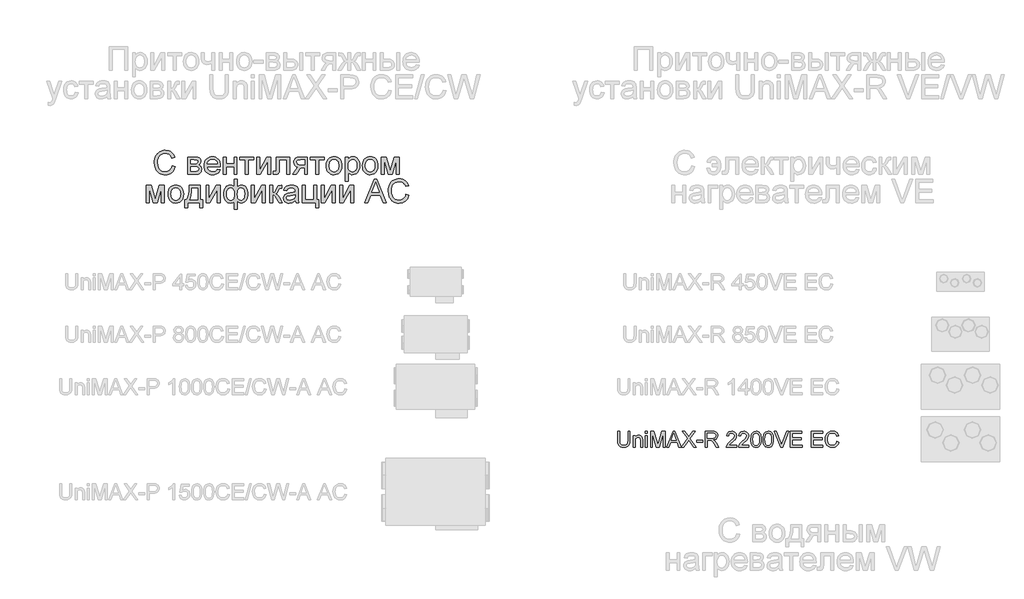
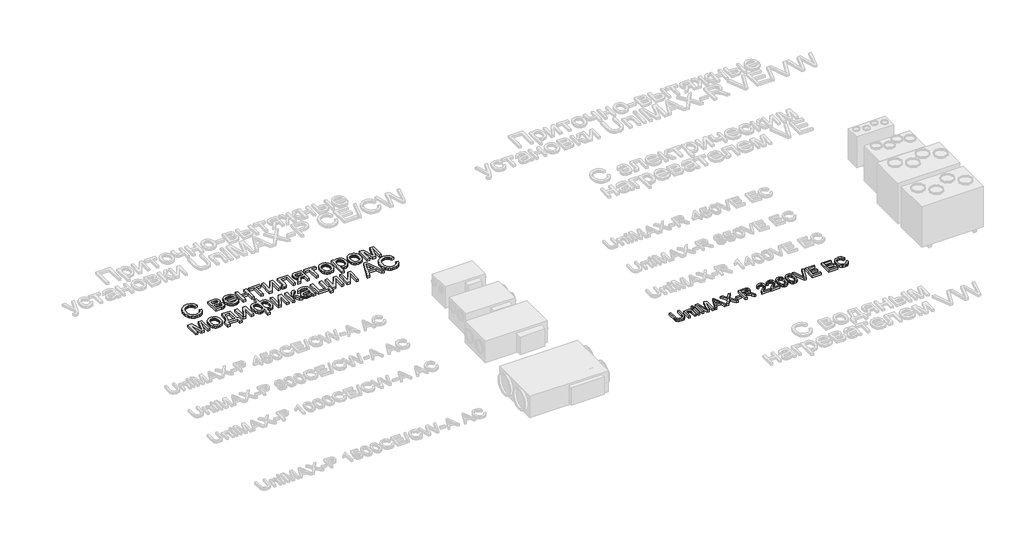
# One storey, part 45 of 74: 2 proxies.
"""IFC4 building model written with IfcOpenShell, lengths in millimetres."""

from ifc_helpers import new_model, si_unit, origin, origin_with_axes, place, context, project, spatial, polyline, outline, extrude, element, save

model = new_model("IFC4")

# Units and contexts
model_context = context("Model", 3, world=origin())
ifc_project = project(units=[si_unit("LENGTHUNIT", "METRE", prefix="MILLI")], contexts=[model_context])

# Site, building, storey
site = spatial("IfcSite", under=ifc_project)
building = spatial("IfcBuilding", under=site)
storey = spatial("IfcBuildingStorey", under=building, Elevation=0.0)

# Proxies
placement = place(None, origin())
element("IfcBuildingElementProxy", 1, Name="Generic Models", at=placement, inside=storey, context=model_context, shape_type="SweptSolid", body=[
    extrude(outline(polyline([(36462.4111042, -25678.9298031), (36518.6181221, -25693.4206749), (36507.4961035, -25728.3751002), (36492.6827549, -25758.9177687), (36474.1780763, -25785.0486803), (36451.9820677, -25806.7678349), (36426.5955972, -25823.8419516), (36398.5195331, -25836.0377492), (36367.7538754, -25843.3552278), (36334.2986241, -25845.7943874), (36300.0234583, -25843.9487223), (36269.1034234, -25838.4117273), (36241.5385193, -25829.1834022), (36217.3287461, -25816.2637471), (36196.1413351, -25799.8448758), (36177.6435177, -25780.1189021), (36161.8352939, -25757.0858261), (36148.7166637, -25730.7456477), (36131.0559138, -25672.699826), (36125.1689971, -25610.5372794), (36126.8328401, -25576.6360495), (36131.8243691, -25544.9715735), (36140.1435841, -25515.5438514), (36151.790485, -25488.3528832), (36166.5043461, -25463.848078), (36184.0244413, -25442.4788449), (36204.3507707, -25424.2451841), (36227.4833343, -25409.1470953), (36252.6365237, -25397.3080805), (36279.0247305, -25388.8516414), (36306.6479549, -25383.7777779), (36335.5061967, -25382.0864901), (36367.6543879, -25384.2752155), (36397.1335691, -25390.8413918), (36423.9437402, -25401.7850189), (36448.0849014, -25417.1060969), (36469.1591025, -25436.3998145), (36486.7683934, -25459.2613603), (36500.9127742, -25485.6907344), (36511.5922448, -25515.6879368), (36455.385227, -25529.0810153), (36435.8993956, -25488.0921573), (36423.4806087, -25472.4245883), (36409.2779076, -25459.9749259), (36393.208958, -25450.4893056), (36375.1914251, -25443.7138624), (36333.3106101, -25438.2935079), (36308.0956698, -25439.7961125), (36285.0351489, -25444.3039263), (36264.1290474, -25451.8169494), (36245.3773653, -25462.3351816), (36229.0168143, -25475.3851996), (36215.284106, -25490.4935802), (36204.1792405, -25507.6603232), (36195.7022177, -25526.8854286), (36184.9575656, -25568.0252332), (36181.3760149, -25610.4275001), (36185.6162416, -25662.353124), (36198.3369217, -25707.2528707), (36207.9975029, -25726.6392146), (36220.0183397, -25743.4114381), (36234.3994322, -25757.5695413), (36251.1407803, -25769.1135241), (36288.4520306, -25784.4689082), (36328.6998781, -25789.5873695), (36353.1360713, -25787.8446226), (36375.61682, -25782.6163819), (36396.1421245, -25773.9026475), (36414.7119846, -25761.7034192), (36430.887283, -25746.0735869), (36444.2289024, -25727.0680401), (36454.7368428, -25704.6867788), (36462.4111042, -25678.9298031)])), origin_with_axes(), (0.0, 0.0, 1.0), 50.0),
    extrude(outline(polyline([(36764.5238252, -25508.5522802), (36888.3549114, -25508.5522802), (36928.1636415, -25510.4322513), (36956.253428, -25516.0721645), (36976.9193872, -25526.7207596), (36994.4566355, -25543.6267767), (37006.4363051, -25565.6512552), (37010.4295283, -25591.6552344), (37008.014383, -25612.6093643), (37000.7689471, -25630.6817868), (36988.6657757, -25645.9548363), (36971.6774242, -25658.5108474), (36992.4806075, -25670.1886238), (37009.4415143, -25688.974612), (37020.7213406, -25713.3867909), (37024.4812827, -25741.9431395), (37021.359433, -25764.9487707), (37014.9579257, -25784.7845237), (37005.2767609, -25801.4503985), (36992.3159385, -25814.9463951), (36976.054875, -25825.3685704), (36956.4729867, -25832.8129814), (36933.5702736, -25837.2796279), (36907.3467358, -25838.7685101), (36764.5238252, -25838.7685101), (36764.5238252, -25508.5522802)]), holes=[polyline([(36820.730843, -25635.0180704), (36876.2791849, -25635.0180704), (36922.1120559, -25632.1638078), (36944.3972602, -25620.7467573), (36951.7661979, -25611.3057348), (36954.2225104, -25600.1082429), (36949.9136716, -25583.33945), (36936.9871553, -25572.5536306), (36913.6316025, -25566.7078812), (36878.0356542, -25564.7592981), (36820.730843, -25564.7592981), (36820.730843, -25635.0180704)]), polyline([(36820.730843, -25782.5614923), (36889.6722633, -25782.5614923), (36927.2442396, -25780.0228452), (36950.8193511, -25772.4069041), (36963.4714191, -25758.5609859), (36968.2742649, -25737.3324076), (36965.872842, -25723.2669307), (36958.6685733, -25710.2718023), (36947.6083057, -25700.1034917), (36933.6388857, -25694.5184682), (36884.1832968, -25691.2250883), (36820.730843, -25691.2250883), (36820.730843, -25782.5614923)])]), origin_with_axes(), (0.0, 0.0, 1.0), 50.0),
    extrude(outline(polyline([(37325.9353277, -25740.4062289), (37381.0445522, -25747.4321061), (37372.5949743, -25769.504613), (37361.1882156, -25788.9561383), (37346.8242762, -25805.7866821), (37329.503156, -25819.9962444), (37309.4032464, -25831.2829319), (37286.702939, -25839.3448516), (37261.4022336, -25844.1820034), (37233.5011304, -25845.7943874), (37198.6256089, -25843.0121674), (37167.5511968, -25834.6655076), (37140.2778941, -25820.7544079), (37116.8057007, -25801.2788683), (37097.9305169, -25776.7809243), (37084.4482427, -25747.8026114), (37076.3588782, -25714.3439294), (37073.6624233, -25676.4048785), (37076.386323, -25637.179351), (37084.558022, -25602.6057227), (37098.1775204, -25572.6839936), (37117.244818, -25547.4141637), (37140.6552605, -25527.3382684), (37167.3041933, -25512.9983432), (37197.1916164, -25504.394388), (37230.3175297, -25501.526403), (37262.3765252, -25504.3875268), (37291.3685606, -25512.9708983), (37317.2936359, -25527.2765175), (37340.1517511, -25547.3043843), (37358.8108069, -25572.5193246), (37372.1387039, -25602.386164), (37380.1354421, -25636.9049027), (37382.8010215, -25676.0755405), (37382.4716835, -25691.2250883), (37129.8694412, -25691.2250883), (37133.1250845, -25713.654378), (37139.5986345, -25733.2980171), (37149.2900911, -25750.1560058), (37162.1994544, -25764.2283439), (37177.6131587, -25775.3229176), (37194.8176383, -25783.2476131), (37213.8128933, -25788.0024304), (37234.5989237, -25789.5873695), (37264.5137916, -25786.6507724), (37289.7081482, -25777.840981), (37310.1819936, -25762.6090987), (37325.9353277, -25740.4062289)]), holes=[polyline([(37129.8694412, -25635.0180704), (37326.5940037, -25635.0180704), (37318.991785, -25605.3227612), (37304.0892407, -25584.0804605), (37288.7613015, -25572.5536306), (37271.3201101, -25564.3201808), (37251.7656667, -25559.3801108), (37230.0979711, -25557.7334209), (37192.2103792, -25562.9891064), (37160.8821024, -25578.7561629), (37148.4255789, -25590.1560604), (37139.1046275, -25603.3330108), (37132.9192483, -25618.2870141), (37129.8694412, -25635.0180704)])]), origin_with_axes(), (0.0, 0.0, 1.0), 50.0),
    extrude(outline(polyline([(37439.0080394, -25508.5522802), (37495.2150572, -25508.5522802), (37495.2150572, -25635.0180704), (37642.7584791, -25635.0180704), (37642.7584791, -25508.5522802), (37698.9654969, -25508.5522802), (37698.9654969, -25838.7685101), (37642.7584791, -25838.7685101), (37642.7584791, -25691.2250883), (37495.2150572, -25691.2250883), (37495.2150572, -25838.7685101), (37439.0080394, -25838.7685101), (37439.0080394, -25508.5522802)])), origin_with_axes(), (0.0, 0.0, 1.0), 50.0),
    extrude(outline(polyline([(37755.1725148, -25508.5522802), (38022.1558496, -25508.5522802), (38022.1558496, -25564.7592981), (37916.7676911, -25564.7592981), (37916.7676911, -25838.7685101), (37860.5606733, -25838.7685101), (37860.5606733, -25564.7592981), (37755.1725148, -25564.7592981), (37755.1725148, -25508.5522802)])), origin_with_axes(), (0.0, 0.0, 1.0), 50.0),
    extrude(outline(polyline([(38071.3369902, -25508.5522802), (38127.5440081, -25508.5522802), (38127.5440081, -25760.3860673), (38265.6464074, -25508.5522802), (38338.320325, -25508.5522802), (38338.320325, -25838.7685101), (38282.1133072, -25838.7685101), (38282.1133072, -25588.4716337), (38144.8891425, -25838.7685101), (38071.3369902, -25838.7685101), (38071.3369902, -25508.5522802)])), origin_with_axes(), (0.0, 0.0, 1.0), 50.0),
    extrude(outline(polyline([(38450.7343607, -25508.5522802), (38703.6659411, -25508.5522802), (38703.6659411, -25838.4391721), (38647.4589232, -25838.4391721), (38647.4589232, -25564.7592981), (38506.9413786, -25564.7592981), (38506.9413786, -25722.2926391), (38503.1539916, -25794.9665568), (38496.0595023, -25811.4197341), (38482.3508083, -25825.64988), (38461.5476249, -25835.4888526), (38433.1696676, -25838.7685101), (38387.5014656, -25835.9142475), (38387.5014656, -25782.5614923), (38412.6409326, -25782.5614923), (38438.0548479, -25779.1034433), (38444.4083267, -25774.6299356), (38448.2094361, -25768.1255101), (38450.7343607, -25719.1090385), (38450.7343607, -25508.5522802)])), origin_with_axes(), (0.0, 0.0, 1.0), 50.0),
    extrude(outline(polyline([(39040.9080482, -25508.5522802), (39040.9080482, -25838.7685101), (38984.7010303, -25838.7685101), (38984.7010303, -25712.30272), (38954.0725968, -25712.30272), (38929.6466954, -25714.0866341), (38912.3564507, -25719.4383765), (38895.6974371, -25734.9995968), (38873.1652293, -25767.4119445), (38828.3752619, -25838.7685101), (38763.3858975, -25838.7685101), (38819.812474, -25748.5298994), (38844.7323823, -25716.1449966), (38856.451326, -25706.703974), (38867.6762627, -25701.7639041), (38847.0377483, -25697.2012006), (38829.2534966, -25689.9900708), (38814.3235075, -25680.1305145), (38802.247781, -25667.6225319), (38786.2748882, -25637.872333), (38780.9505906, -25603.9505195), (38782.7688108, -25583.7099552), (38788.2234713, -25565.4728637), (38797.3145722, -25549.2392451), (38810.0421135, -25535.0090992), (38826.2139813, -25523.4342409), (38845.6380618, -25515.166485), (38868.314355, -25510.2058314), (38894.242861, -25508.5522802), (39040.9080482, -25508.5522802)]), holes=[polyline([(38984.7010303, -25564.7592981), (38910.5999814, -25564.7592981), (38872.3281619, -25568.0115108), (38859.3982149, -25572.0767767), (38850.6055766, -25577.7681489), (38840.5196005, -25591.8885154), (38837.1576085, -25608.2319135), (38842.1114008, -25629.6526056), (38856.9727778, -25644.5139826), (38884.4313332, -25653.2002722), (38927.1766605, -25656.0957021), (38984.7010303, -25656.0957021), (38984.7010303, -25564.7592981)])]), origin_with_axes(), (0.0, 0.0, 1.0), 50.0),
    extrude(outline(polyline([(39097.115066, -25508.5522802), (39364.0984008, -25508.5522802), (39364.0984008, -25564.7592981), (39258.7102423, -25564.7592981), (39258.7102423, -25838.7685101), (39202.5032245, -25838.7685101), (39202.5032245, -25564.7592981), (39097.115066, -25564.7592981), (39097.115066, -25508.5522802)])), origin_with_axes(), (0.0, 0.0, 1.0), 50.0),
    extrude(outline(polyline([(39399.227787, -25673.6603952), (39402.2673022, -25630.8944843), (39411.385848, -25594.0429348), (39426.5834242, -25563.1057469), (39447.8600309, -25538.0829205), (39469.280723, -25522.0894441), (39492.9244466, -25510.6655324), (39518.7912017, -25503.8111853), (39546.8809882, -25501.526403), (39577.8902188, -25504.3086229), (39605.9285462, -25512.6552828), (39630.9959705, -25526.5663825), (39653.0924916, -25546.041922), (39671.1271775, -25570.4232255), (39684.0090959, -25599.0516168), (39691.738247, -25631.9270961), (39694.3146307, -25669.0496632), (39689.7587884, -25725.8330226), (39684.0639856, -25749.140547), (39676.0912616, -25769.0586345), (39653.7100004, -25801.4298149), (39623.0129547, -25825.64988), (39586.5524942, -25840.7582605), (39546.8809882, -25845.7943874), (39515.4189178, -25843.0224592), (39487.1198645, -25834.7066748), (39461.9838281, -25820.8470342), (39440.0108087, -25801.4435373), (39422.1682367, -25776.8255222), (39409.4235424, -25747.3223268), (39401.7767258, -25712.9339511), (39399.227787, -25673.6603952)]), holes=[polyline([(39455.4348048, -25673.5506158), (39457.0609112, -25700.8136268), (39461.9392302, -25724.4196137), (39470.069762, -25744.3685766), (39481.4525065, -25760.6605156), (39495.2984247, -25773.3160142), (39510.8184777, -25782.355656), (39528.0126655, -25787.7794411), (39546.8809882, -25789.5873695), (39565.6532539, -25787.7691493), (39582.7788296, -25782.3144888), (39598.2577154, -25773.2233879), (39612.0899112, -25760.4958466), (39623.4726557, -25744.0426692), (39631.6031874, -25723.7746601), (39636.4815065, -25699.6918192), (39638.1076128, -25671.7941465), (39636.4712147, -25645.3956479), (39631.5620202, -25622.4071697), (39623.3800294, -25602.828712), (39611.9252422, -25586.6602748), (39598.0415874, -25574.0047762), (39582.5729934, -25564.9651343), (39565.5194603, -25559.5413492), (39546.8809882, -25557.7334209), (39528.0126655, -25559.534488), (39510.8184777, -25564.9376895), (39495.2984247, -25573.9430253), (39481.4525065, -25586.5504954), (39470.069762, -25602.7944059), (39461.9392302, -25622.7090628), (39457.0609112, -25646.2944661), (39455.4348048, -25673.5506158)])]), origin_with_axes(), (0.0, 0.0, 1.0), 50.0),
    extrude(outline(polyline([(39757.5475258, -25965.2343003), (39757.5475258, -25508.5522802), (39813.7545436, -25508.5522802), (39813.7545436, -25563.6615048), (39832.087692, -25536.4773978), (39852.6164271, -25517.0601784), (39876.5483214, -25505.4098469), (39905.0909476, -25501.526403), (39943.1020413, -25506.9604799), (39976.3377339, -25523.2627107), (40003.3983392, -25549.4450813), (40022.8841706, -25584.5195778), (40034.6580039, -25625.9338307), (40038.582615, -25671.1354706), (40034.1502745, -25719.2050954), (40020.853253, -25762.1974262), (39999.1169453, -25797.9305987), (39969.3667464, -25824.2227487), (39934.7176448, -25840.4014777), (39898.2846291, -25845.7943874), (39872.4453189, -25842.1853918), (39849.3779368, -25831.3584052), (39829.6313795, -25815.0150072), (39813.7545436, -25794.8567774), (39813.7545436, -25965.2343003), (39757.5475258, -25965.2343003)]), holes=[polyline([(39813.7545436, -25676.2950991), (39815.2743013, -25703.3831492), (39819.8335741, -25726.6838124), (39827.4323622, -25746.1970886), (39838.0706656, -25761.9229779), (39850.8771108, -25774.0261492), (39864.9803243, -25782.6712716), (39880.3803062, -25787.858345), (39897.0770564, -25789.5873695), (39914.013949, -25787.7965942), (39929.6952404, -25782.4242681), (39944.1209307, -25773.4703914), (39957.2910199, -25760.9349639), (39968.2655225, -25744.6395944), (39976.1044529, -25724.4058913), (39980.8078111, -25700.2338547), (39982.3755972, -25672.1234845), (39980.8455478, -25645.2687155), (39976.2553994, -25622.0092196), (39968.6051523, -25602.3449968), (39957.8948062, -25586.2760471), (39945.0574856, -25573.7886481), (39931.0263148, -25564.8690774), (39915.8012937, -25559.517335), (39899.3824224, -25557.7334209), (39883.0150102, -25559.6305449), (39867.6150283, -25565.3219172), (39853.1824768, -25574.8075376), (39839.7173556, -25588.0874061), (39828.3586254, -25604.9831314), (39820.2452466, -25625.316322), (39815.3772194, -25649.0869779), (39813.7545436, -25676.2950991)])]), origin_with_axes(), (0.0, 0.0, 1.0), 50.0),
    extrude(outline(polyline([(40087.7637557, -25673.6603952), (40090.8032709, -25630.8944843), (40099.9218167, -25594.0429348), (40115.1193929, -25563.1057469), (40136.3959996, -25538.0829205), (40157.8166917, -25522.0894441), (40181.4604153, -25510.6655324), (40207.3271703, -25503.8111853), (40235.4169569, -25501.526403), (40266.4261875, -25504.3086229), (40294.4645149, -25512.6552828), (40319.5319392, -25526.5663825), (40341.6284603, -25546.041922), (40359.6631462, -25570.4232255), (40372.5450646, -25599.0516168), (40380.2742157, -25631.9270961), (40382.8505994, -25669.0496632), (40378.2947571, -25725.8330226), (40372.5999543, -25749.140547), (40364.6272303, -25769.0586345), (40342.2459691, -25801.4298149), (40311.5489234, -25825.64988), (40275.0884629, -25840.7582605), (40235.4169569, -25845.7943874), (40203.9548865, -25843.0224592), (40175.6558331, -25834.7066748), (40150.5197968, -25820.8470342), (40128.5467774, -25801.4435373), (40110.7042054, -25776.8255222), (40097.9595111, -25747.3223268), (40090.3126945, -25712.9339511), (40087.7637557, -25673.6603952)]), holes=[polyline([(40143.9707735, -25673.5506158), (40145.5968799, -25700.8136268), (40150.4751989, -25724.4196137), (40158.6057307, -25744.3685766), (40169.9884751, -25760.6605156), (40183.8343934, -25773.3160142), (40199.3544464, -25782.355656), (40216.5486342, -25787.7794411), (40235.4169569, -25789.5873695), (40254.1892226, -25787.7691493), (40271.3147983, -25782.3144888), (40286.7936841, -25773.2233879), (40300.6258799, -25760.4958466), (40312.0086244, -25744.0426692), (40320.1391561, -25723.7746601), (40325.0174752, -25699.6918192), (40326.6435815, -25671.7941465), (40325.0071834, -25645.3956479), (40320.0979889, -25622.4071697), (40311.9159981, -25602.828712), (40300.4612109, -25586.6602748), (40286.5775561, -25574.0047762), (40271.1089621, -25564.9651343), (40254.055429, -25559.5413492), (40235.4169569, -25557.7334209), (40216.5486342, -25559.534488), (40199.3544464, -25564.9376895), (40183.8343934, -25573.9430253), (40169.9884751, -25586.5504954), (40158.6057307, -25602.7944059), (40150.4751989, -25622.7090628), (40145.5968799, -25646.2944661), (40143.9707735, -25673.5506158)])]), origin_with_axes(), (0.0, 0.0, 1.0), 50.0),
    extrude(outline(polyline([(40446.0834945, -25508.5522802), (40542.7990857, -25508.5522802), (40617.339252, -25772.9009111), (40697.6977228, -25508.5522802), (40790.3514788, -25508.5522802), (40790.3514788, -25838.7685101), (40734.144461, -25838.7685101), (40734.144461, -25572.8829686), (40653.3468728, -25838.7685101), (40579.5751619, -25838.7685101), (40502.2905123, -25560.1485662), (40502.2905123, -25838.7685101), (40446.0834945, -25838.7685101), (40446.0834945, -25508.5522802)])), origin_with_axes(), (0.0, 0.0, 1.0), 50.0),
    extrude(outline(polyline([(35970.599698, -26048.9843634), (36067.3152893, -26048.9843634), (36141.8554555, -26313.3329943), (36222.2139263, -26048.9843634), (36314.8676823, -26048.9843634), (36314.8676823, -26379.2005933), (36258.6606645, -26379.2005933), (36258.6606645, -26113.3150518), (36177.8630763, -26379.2005933), (36104.0913654, -26379.2005933), (36026.8067158, -26100.5806493), (36026.8067158, -26379.2005933), (35970.599698, -26379.2005933), (35970.599698, -26048.9843634)])), origin_with_axes(), (0.0, 0.0, 1.0), 50.0),
    extrude(outline(polyline([(36385.1264547, -26214.0924784), (36388.1659699, -26171.3265674), (36397.2845156, -26134.475018), (36412.4820919, -26103.5378301), (36433.7586986, -26078.5150037), (36455.1793907, -26062.5215273), (36478.8231143, -26051.0976156), (36504.6898693, -26044.2432685), (36532.7796558, -26041.9584862), (36563.7888865, -26044.7407061), (36591.8272139, -26053.0873659), (36616.8946382, -26066.9984656), (36638.9911593, -26086.4740052), (36657.0258451, -26110.8553087), (36669.9077636, -26139.4837), (36677.6369147, -26172.3591793), (36680.2132984, -26209.4817464), (36675.6574561, -26266.2651058), (36669.9626533, -26289.5726301), (36661.9899293, -26309.4907176), (36639.608668, -26341.8618981), (36608.9116224, -26366.0819632), (36572.4511619, -26381.1903437), (36532.7796558, -26386.2264705), (36501.3175855, -26383.4545424), (36473.0185321, -26375.138758), (36447.8824958, -26361.2791174), (36425.9094764, -26341.8756205), (36408.0669044, -26317.2576054), (36395.3222101, -26287.75441), (36387.6753935, -26253.3660343), (36385.1264547, -26214.0924784)]), holes=[polyline([(36441.3334725, -26213.982699), (36442.9595789, -26241.2457099), (36447.8378979, -26264.8516969), (36455.9684297, -26284.8006598), (36467.3511741, -26301.0925988), (36481.1970923, -26313.7480974), (36496.7171454, -26322.7877392), (36513.9113332, -26328.2115243), (36532.7796558, -26330.0194527), (36551.5519216, -26328.2012325), (36568.6774973, -26322.746572), (36584.1563831, -26313.655471), (36597.9885789, -26300.9279298), (36609.3713234, -26284.4747524), (36617.5018551, -26264.2067433), (36622.3801742, -26240.1239024), (36624.0062805, -26212.2262297), (36622.3698824, -26185.827731), (36617.4606879, -26162.8392529), (36609.2786971, -26143.2607952), (36597.8239099, -26127.092358), (36583.940255, -26114.4368594), (36568.4716611, -26105.3972175), (36551.418128, -26099.9734324), (36532.7796558, -26098.165504), (36513.9113332, -26099.9665712), (36496.7171454, -26105.3697727), (36481.1970923, -26114.3751085), (36467.3511741, -26126.9825786), (36455.9684297, -26143.2264891), (36447.8378979, -26163.141146), (36442.9595789, -26186.7265493), (36441.3334725, -26213.982699)])]), origin_with_axes(), (0.0, 0.0, 1.0), 50.0),
    extrude(outline(polyline([(36792.6273341, -26048.9843634), (37003.403651, -26048.9843634), (37003.403651, -26322.9935754), (37045.5589144, -26322.9935754), (37045.5589144, -26470.5369973), (36989.3518966, -26470.5369973), (36989.3518966, -26379.2005933), (36757.4979479, -26379.2005933), (36757.4979479, -26470.5369973), (36701.2909301, -26470.5369973), (36701.2909301, -26322.9935754), (36736.4203162, -26322.9935754), (36750.1461633, -26301.7821502), (36761.9577333, -26276.8450889), (36779.8380419, -26215.794058), (36790.0612422, -26139.8404829), (36792.6273341, -26048.9843634)]), holes=[polyline([(36841.8084747, -26105.1913813), (36837.1977428, -26174.0092999), (36828.6349549, -26233.2489717), (36816.1201111, -26282.9103969), (36799.6532113, -26322.9935754), (36947.1966332, -26322.9935754), (36947.1966332, -26105.1913813), (36841.8084747, -26105.1913813)])]), origin_with_axes(), (0.0, 0.0, 1.0), 50.0),
    extrude(outline(polyline([(37108.7918095, -26048.9843634), (37164.9988274, -26048.9843634), (37164.9988274, -26300.8181504), (37303.1012267, -26048.9843634), (37375.7751443, -26048.9843634), (37375.7751443, -26379.2005933), (37319.5681264, -26379.2005933), (37319.5681264, -26128.9037169), (37182.3439618, -26379.2005933), (37108.7918095, -26379.2005933), (37108.7918095, -26048.9843634)])), origin_with_axes(), (0.0, 0.0, 1.0), 50.0),
    extrude(outline(polyline([(37649.7843563, -25929.5444505), (37705.9913742, -25929.5444505), (37705.9913742, -26080.7105903), (37723.0483378, -26063.6536266), (37741.7245467, -26051.5641777), (37761.9376661, -26044.3599091), (37783.6053617, -26041.9584862), (37809.6264939, -26045.0117238), (37832.8002248, -26054.1714368), (37853.1265542, -26069.4376252), (37870.6054821, -26090.8102888), (37884.653806, -26116.814268), (37894.688323, -26145.974403), (37900.7090333, -26178.2906938), (37902.7159367, -26213.7631404), (37900.5546561, -26250.5495083), (37894.0708143, -26283.6239626), (37883.2644113, -26312.9865032), (37868.1354472, -26338.6371302), (37849.7954376, -26359.4574666), (37829.3558982, -26374.3291355), (37806.8168292, -26383.2521368), (37782.1782304, -26386.2264705), (37747.8172996, -26380.7375039), (37728.6333614, -26370.5005813), (37705.9913742, -26350.7677464), (37705.9913742, -26505.6663835), (37649.7843563, -26505.6663835), (37649.7843563, -26350.7677464), (37632.6862254, -26366.2466322), (37613.8865148, -26377.3343447), (37593.4401143, -26384.0034391), (37571.4019135, -26386.2264705), (37547.0583466, -26383.3859303), (37524.3065801, -26374.8643097), (37503.146614, -26360.6616087), (37483.5784481, -26340.7778272), (37467.1527156, -26315.6040542), (37455.4200495, -26285.5313785), (37448.3804498, -26250.5598001), (37446.0339166, -26210.6893191), (37448.1574606, -26176.2940822), (37454.5280924, -26144.7942752), (37465.1458121, -26116.1898981), (37480.0106198, -26090.4809508), (37498.4638393, -26069.2523725), (37519.8467948, -26054.0891023), (37544.1594862, -26044.9911402), (37571.4019135, -26041.9584862), (37594.3046265, -26044.3599091), (37614.9294185, -26051.5641777), (37633.3860686, -26063.6536266), (37649.7843563, -26080.7105903), (37649.7843563, -25929.5444505)]), holes=[polyline([(37705.6620362, -26215.0804923), (37710.3413802, -26271.9873534), (37716.1905602, -26292.0735405), (37724.3794122, -26306.5815654), (37745.4707664, -26324.1599808), (37771.3100766, -26330.0194527), (37786.3258308, -26328.2183855), (37800.1957632, -26322.815184), (37812.9198739, -26313.8098482), (37824.4981628, -26301.2023781), (37834.1278686, -26284.8006598), (37841.0062298, -26264.4125795), (37846.5089188, -26211.6773331), (37841.4316247, -26161.6728475), (37835.0850071, -26142.1458488), (37826.1997424, -26126.269013), (37815.3247274, -26113.9737278), (37803.0088586, -26105.1913813), (37789.2521361, -26099.9219733), (37774.0545599, -26098.165504), (37758.0919589, -26099.994016), (37744.2357489, -26105.479552), (37732.4859298, -26114.622112), (37722.8425016, -26127.4216959), (37715.326048, -26143.8714427), (37709.9571525, -26163.964491), (37705.6620362, -26215.0804923)]), polyline([(37502.2409345, -26209.4817464), (37503.6474822, -26239.2936962), (37507.8671252, -26264.6184158), (37514.8998637, -26285.4559052), (37524.7456975, -26301.8061644), (37536.6773386, -26314.149478), (37549.9674989, -26322.9661306), (37564.6161785, -26328.2561222), (37580.6233773, -26330.0194527), (37596.9770672, -26328.266414), (37611.1283091, -26323.0072979), (37623.0771033, -26314.2421043), (37632.8234496, -26301.9708334), (37640.3879317, -26286.1934851), (37645.7911331, -26266.9100593), (37650.1136943, -26217.8249756), (37645.5715745, -26165.4739568), (37639.8939247, -26144.9074851), (37631.9452149, -26128.0803719), (37621.7048616, -26114.9926172), (37609.1522812, -26105.644221), (37594.2874735, -26100.0351833), (37577.1104387, -26098.165504), (37561.3022149, -26099.9905854), (37547.0309018, -26105.4658296), (37534.2964993, -26114.5912365), (37523.0990075, -26127.3668063), (37513.9736005, -26143.4494784), (37507.4554527, -26162.4961924), (37502.2409345, -26209.4817464)])]), origin_with_axes(), (0.0, 0.0, 1.0), 50.0),
    extrude(outline(polyline([(37972.974709, -26048.9843634), (38029.1817268, -26048.9843634), (38029.1817268, -26300.8181504), (38167.2841262, -26048.9843634), (38239.9580438, -26048.9843634), (38239.9580438, -26379.2005933), (38183.7510259, -26379.2005933), (38183.7510259, -26128.9037169), (38046.5268612, -26379.2005933), (37972.974709, -26379.2005933), (37972.974709, -26048.9843634)])), origin_with_axes(), (0.0, 0.0, 1.0), 50.0),
    extrude(outline(polyline([(38324.2685706, -26048.9843634), (38380.4755884, -26048.9843634), (38380.4755884, -26189.501908), (38403.3371342, -26186.9769834), (38418.1298992, -26179.4022095), (38431.2210845, -26159.6419298), (38448.9778914, -26120.5604877), (38463.2903718, -26088.6009798), (38474.6113654, -26069.7875468), (38485.1776261, -26059.5369017), (38497.2259077, -26053.2657574), (38538.3382675, -26048.9843634), (38549.096642, -26048.9843634), (38549.096642, -26105.5207193), (38533.9470942, -26105.1913813), (38516.3824011, -26106.6734022), (38506.5022612, -26111.1194652), (38487.1810989, -26148.1151), (38475.3112086, -26172.7742824), (38464.5116669, -26188.1296664), (38451.434204, -26198.3803115), (38432.7305503, -26207.7252771), (38450.5422469, -26215.6362502), (38468.1892745, -26229.598809), (38485.671633, -26249.6129534), (38502.9893226, -26275.6786835), (38563.1483964, -26379.2005933), (38499.2568254, -26379.2005933), (38440.3053242, -26277.8742701), (38424.3873211, -26250.9097217), (38410.6649046, -26235.0054411), (38396.805264, -26227.2248309), (38380.4755884, -26224.6312942), (38380.4755884, -26379.2005933), (38324.2685706, -26379.2005933), (38324.2685706, -26048.9843634)])), origin_with_axes(), (0.0, 0.0, 1.0), 50.0),
    extrude(outline(polyline([(38809.0540995, -26337.0453299), (38782.1993305, -26360.0715447), (38754.5486613, -26375.138758), (38725.4708608, -26383.4545424), (38694.3346979, -26386.2264705), (38669.3084408, -26384.5591969), (38647.3628663, -26379.5573761), (38628.4979742, -26371.2210081), (38612.7137647, -26359.5500929), (38600.2503799, -26345.285641), (38591.3479623, -26329.1686629), (38586.0065117, -26311.1991585), (38584.2260281, -26291.3771279), (38586.9156217, -26268.0764647), (38594.9844026, -26246.9164985), (38607.4306344, -26228.8029088), (38623.2525806, -26214.641375), (38641.8464549, -26203.9378902), (38662.608471, -26196.1984473), (38711.2407149, -26187.7454387), (38768.7101951, -26178.8533129), (38808.7247615, -26168.4242764), (38809.0540995, -26155.9094325), (38805.1843781, -26130.8248552), (38793.5752138, -26114.4128451), (38767.6124018, -26102.2273393), (38731.440112, -26098.165504), (38697.9574158, -26100.8688201), (38674.5744181, -26108.9787682), (38658.6289702, -26123.9773694), (38647.4589232, -26147.3466447), (38591.2519054, -26140.3207674), (38601.0085435, -26109.5825545), (38615.5680273, -26085.4311016), (38636.2888762, -26066.960729), (38664.5296093, -26053.2657574), (38699.0689315, -26044.785304), (38738.6855479, -26041.9584862), (38776.6829191, -26044.455966), (38806.8036232, -26051.9484054), (38829.5142225, -26063.2145093), (38845.281279, -26077.0329827), (38855.7377604, -26094.1173912), (38862.5166341, -26115.1813005), (38865.2611174, -26164.3624411), (38865.2611174, -26234.2918754), (38868.11538, -26331.940591), (38879.3128718, -26379.2005933), (38823.105854, -26379.2005933), (38814.1039488, -26359.6598722), (38809.0540995, -26337.0453299)]), holes=[polyline([(38809.0540995, -26224.6312942), (38771.2900094, -26233.9899822), (38718.3763715, -26241.8666493), (38670.0185759, -26250.9783338), (38657.43512, -26257.2083109), (38648.1175992, -26265.7985436), (38642.3541843, -26276.090356), (38640.433046, -26287.425072), (38644.618383, -26304.1389752), (38657.1743941, -26317.8339469), (38677.8266308, -26326.9730762), (38706.300645, -26330.0194527), (38736.4899612, -26326.6574606), (38763.1663389, -26316.5714845), (38784.7928672, -26301.7101075), (38799.8326357, -26284.0219127), (38806.5017301, -26265.7985436), (38808.7247615, -26240.5492973), (38809.0540995, -26224.6312942)])]), origin_with_axes(), (0.0, 0.0, 1.0), 50.0),
    extrude(outline(polyline([(38942.5457669, -26048.9843634), (38998.7527848, -26048.9843634), (38998.7527848, -26322.9935754), (39160.3479611, -26322.9935754), (39160.3479611, -26048.9843634), (39216.554979, -26048.9843634), (39216.554979, -26322.9935754), (39251.6843651, -26322.9935754), (39251.6843651, -26470.5369973), (39195.4773473, -26470.5369973), (39195.4773473, -26379.2005933), (38942.5457669, -26379.2005933), (38942.5457669, -26048.9843634)])), origin_with_axes(), (0.0, 0.0, 1.0), 50.0),
    extrude(outline(polyline([(39300.8655057, -26048.9843634), (39357.0725236, -26048.9843634), (39357.0725236, -26300.8181504), (39495.1749229, -26048.9843634), (39567.8488405, -26048.9843634), (39567.8488405, -26379.2005933), (39511.6418227, -26379.2005933), (39511.6418227, -26128.9037169), (39374.417658, -26379.2005933), (39300.8655057, -26379.2005933), (39300.8655057, -26048.9843634)])), origin_with_axes(), (0.0, 0.0, 1.0), 50.0),
    extrude(outline(polyline([(39652.1593673, -26048.9843634), (39708.3663852, -26048.9843634), (39708.3663852, -26300.8181504), (39846.4687845, -26048.9843634), (39919.1427021, -26048.9843634), (39919.1427021, -26379.2005933), (39862.9356843, -26379.2005933), (39862.9356843, -26128.9037169), (39725.7115196, -26379.2005933), (39652.1593673, -26379.2005933), (39652.1593673, -26048.9843634)])), origin_with_axes(), (0.0, 0.0, 1.0), 50.0),
    extrude(outline(polyline([(40133.7612957, -26379.2005933), (40313.2505031, -25929.5444505), (40361.1142917, -25929.5444505), (40540.6034991, -26379.2005933), (40481.2128806, -26379.2005933), (40429.726374, -26238.6830487), (40244.5286414, -26238.6830487), (40193.1519141, -26379.2005933), (40133.7612957, -26379.2005933)]), holes=[polyline([(40265.1671558, -26182.4760308), (40409.197639, -26182.4760308), (40368.6890656, -26071.9282438), (40337.1823974, -25985.7514683), (40309.1886678, -26062.2676626), (40265.1671558, -26182.4760308)])]), origin_with_axes(), (0.0, 0.0, 1.0), 50.0),
    extrude(outline(polyline([(40916.817269, -26219.3618863), (40973.0242868, -26233.8527581), (40961.9022683, -26268.8071834), (40947.0889197, -26299.3498519), (40928.5842411, -26325.4807634), (40906.3882325, -26347.1999181), (40881.001762, -26364.2740348), (40852.9256979, -26376.4698324), (40822.1600402, -26383.787311), (40788.7047888, -26386.2264705), (40754.4296231, -26384.3808055), (40723.5095882, -26378.8438105), (40695.9446841, -26369.6154854), (40671.7349109, -26356.6958303), (40650.5474998, -26340.276959), (40632.0496824, -26320.5509853), (40616.2414587, -26297.5179093), (40603.1228285, -26271.1777309), (40585.4620785, -26213.1319092), (40579.5751619, -26150.9693626), (40581.2390049, -26117.0681327), (40586.2305339, -26085.4036567), (40594.5497488, -26055.9759346), (40606.1966498, -26028.7849664), (40620.9105109, -26004.2801612), (40638.4306061, -25982.9109281), (40658.7569355, -25964.6772672), (40681.8894991, -25949.5791785), (40707.0426884, -25937.7401637), (40733.4308953, -25929.2837246), (40761.0541197, -25924.2098611), (40789.9123615, -25922.5185732), (40822.0605527, -25924.7072987), (40851.5397338, -25931.273475), (40878.349905, -25942.2171021), (40902.4910662, -25957.5381801), (40923.5652673, -25976.8318976), (40941.1745582, -25999.6934435), (40955.318939, -26026.1228176), (40965.9984096, -26056.12002), (40909.7913918, -26069.5130985), (40890.3055604, -26028.5242405), (40877.8867735, -26012.8566715), (40863.6840724, -26000.4070091), (40847.6151227, -25990.9213887), (40829.5975899, -25984.1459456), (40787.7167749, -25978.7255911), (40762.5018346, -25980.2281957), (40739.4413137, -25984.7360095), (40718.5352122, -25992.2490325), (40699.7835301, -26002.7672648), (40683.4229791, -26015.8172828), (40669.6902708, -26030.9256633), (40658.5854053, -26048.0924063), (40650.1083825, -26067.3175118), (40639.3637304, -26108.4573164), (40635.7821797, -26150.8595833), (40640.0224064, -26202.7852072), (40652.7430865, -26247.6849539), (40662.4036677, -26267.0712977), (40674.4245045, -26283.8435213), (40688.805597, -26298.0016245), (40705.546945, -26309.5456073), (40742.8581954, -26324.9009913), (40783.1060429, -26330.0194527), (40807.542236, -26328.2767058), (40830.0229848, -26323.0484651), (40850.5482893, -26314.3347307), (40869.1181493, -26302.1355024), (40885.2934478, -26286.5056701), (40898.6350672, -26267.5001233), (40909.1430076, -26245.118862), (40916.817269, -26219.3618863)])), origin_with_axes(), (0.0, 0.0, 1.0), 50.0),
])
element("IfcBuildingElementProxy", 2, Name="Generic Models", at=placement, inside=storey, context=model_context, shape_type="SweptSolid", body=[
    extrude(outline(polyline([(45145.6172917, -30731.9528304), (45183.288408, -30731.9528304), (45183.288408, -30905.8138613), (45180.7316281, -30946.5292011), (45173.0612885, -30977.8819441), (45158.7322848, -31002.0701853), (45136.1995126, -31021.2920196), (45105.4077896, -31033.8459926), (45066.3019335, -31038.0306503), (45028.0514031, -31034.3886186), (44997.4712122, -31023.4625233), (44974.5521639, -31005.6294436), (44959.2850611, -30981.2664585), (44950.7042136, -30948.5893403), (44947.8439311, -30905.8138613), (44947.8439311, -30731.9528304), (44985.5150474, -30731.9528304), (44985.5150474, -30904.4894861), (44987.3728515, -30938.3438267), (44992.9462637, -30961.9158655), (45003.0446244, -30978.2406291), (45018.4772741, -30990.3531438), (45038.6004193, -30997.8579365), (45062.7702664, -31000.359534), (45101.0851762, -30995.4115212), (45115.4279754, -30989.2265052), (45126.5610043, -30980.5674827), (45134.89813, -30968.3905887), (45140.8532198, -30951.6519579), (45145.6172917, -30904.4894861), (45145.6172917, -30731.9528304)])), origin_with_axes(), (0.0, 0.0, 1.0), 50.0),
    extrude(outline(polyline([(45244.503972, -31033.3217608), (45244.503972, -30812.0039525), (45282.1750883, -30812.0039525), (45282.1750883, -30842.9060401), (45295.2624903, -30827.3262376), (45310.9802485, -30816.1978072), (45329.328363, -30809.520749), (45350.3068338, -30807.295063), (45368.8756775, -30809.0884877), (45385.8810227, -30814.4687619), (45400.0628736, -30822.7645009), (45410.1612344, -30833.30432), (45421.4552117, -30861.0058343), (45423.4417744, -30897.4261518), (45423.4417744, -31033.3217608), (45385.7706581, -31033.3217608), (45385.7706581, -30902.5029233), (45381.4296506, -30869.1728146), (45375.423977, -30859.2491977), (45366.0889714, -30851.551267), (45354.1236095, -30846.6124512), (45340.2268671, -30844.9661793), (45318.1631445, -30848.6633933), (45299.3551775, -30859.7550355), (45291.8388884, -30868.8095311), (45286.4701106, -30881.1841617), (45282.1750883, -30915.8938279), (45282.1750883, -31033.3217608), (45244.503972, -31033.3217608)])), origin_with_axes(), (0.0, 0.0, 1.0), 50.0),
    extrude(outline(polyline([(45475.2395594, -31033.3217608), (45475.2395594, -30812.0039525), (45512.9106757, -30812.0039525), (45512.9106757, -31033.3217608), (45475.2395594, -31033.3217608)])), origin_with_axes(), (0.0, 0.0, 1.0), 50.0),
    extrude(outline(polyline([(45475.2395594, -30769.6239467), (45475.2395594, -30731.9528304), (45512.9106757, -30731.9528304), (45512.9106757, -30769.6239467), (45475.2395594, -30769.6239467)])), origin_with_axes(), (0.0, 0.0, 1.0), 50.0),
    extrude(outline(polyline([(45574.1262397, -31033.3217608), (45574.1262397, -30731.9528304), (45638.9470472, -30731.9528304), (45700.6040696, -30944.3678944), (45713.038481, -30988.734463), (45726.5029621, -30940.6890744), (45787.1299149, -30731.9528304), (45851.9507224, -30731.9528304), (45851.9507224, -31033.3217608), (45814.2796061, -31033.3217608), (45814.2796061, -30769.6239467), (45738.5694915, -31033.3217608), (45687.5074706, -31033.3217608), (45611.797356, -30769.6239467), (45611.797356, -31033.3217608), (45574.1262397, -31033.3217608)])), origin_with_axes(), (0.0, 0.0, 1.0), 50.0),
    extrude(outline(polyline([(45882.7792336, -31033.3217608), (46003.076646, -30731.9528304), (46035.155956, -30731.9528304), (46155.4533684, -31033.3217608), (46115.6485366, -31033.3217608), (46081.1412054, -30939.14397), (45957.0178202, -30939.14397), (45922.5840655, -31033.3217608), (45882.7792336, -31033.3217608)]), holes=[polyline([(45970.8501833, -30901.4728537), (46067.3824188, -30901.4728537), (46040.2327275, -30827.3814199), (46019.116301, -30769.6239467), (46000.3543193, -30820.9066968), (45970.8501833, -30901.4728537)])]), origin_with_axes(), (0.0, 0.0, 1.0), 50.0),
    extrude(outline(polyline([(46162.7374319, -31033.3217608), (46278.914566, -30869.0992382), (46181.5729901, -30731.9528304), (46226.7488991, -30731.9528304), (46281.5633164, -30809.1344729), (46300.0309925, -30839.2272201), (46321.6624539, -30808.6194381), (46375.8882599, -30731.9528304), (46421.7263565, -30731.9528304), (46324.3847806, -30869.5406965), (46440.5619147, -31033.3217608), (46395.3860057, -31033.3217608), (46317.9836339, -30924.1343846), (46301.8704025, -30901.4728537), (46284.1384904, -30926.3416766), (46208.5755285, -31033.3217608), (46162.7374319, -31033.3217608)])), origin_with_axes(), (0.0, 0.0, 1.0), 50.0),
    extrude(outline(polyline([(46454.6885833, -30943.8528596), (46454.6885833, -30906.1817433), (46572.4108218, -30906.1817433), (46572.4108218, -30943.8528596), (46454.6885833, -30943.8528596)])), origin_with_axes(), (0.0, 0.0, 1.0), 50.0),
    extrude(outline(polyline([(46619.4997172, -31033.3217608), (46619.4997172, -30731.9528304), (46749.3620615, -30731.9528304), (46784.2648657, -30733.9853784), (46809.6579205, -30740.0830224), (46828.2175671, -30751.3402115), (46842.6201472, -30768.8513945), (46851.8631824, -30790.5656292), (46854.9441941, -30814.4319737), (46849.8398314, -30844.1200507), (46834.5267433, -30868.7313562), (46822.9269642, -30878.7607391), (46808.5450774, -30886.775968), (46771.4349812, -30896.7639642), (46792.8457133, -30912.8771956), (46823.3799189, -30951.6519579), (46873.6325994, -31033.3217608), (46829.854642, -31033.3217608), (46790.6384213, -30970.855398), (46762.3115077, -30929.5054618), (46742.4090917, -30909.9709278), (46724.4932386, -30902.7972289), (46702.6410481, -30901.4728537), (46657.1708335, -30901.4728537), (46657.1708335, -31033.3217608), (46619.4997172, -31033.3217608)]), holes=[polyline([(46657.1708335, -30863.8017374), (46741.4893868, -30863.8017374), (46765.7052191, -30862.4681652), (46784.494792, -30858.4674485), (46798.6398547, -30851.5328729), (46808.9221565, -30841.3977239), (46815.1853474, -30829.1380564), (46817.2730778, -30815.8299253), (46813.2907552, -30797.4542196), (46801.3437874, -30782.6469693), (46780.7883809, -30772.8797023), (46750.9807422, -30769.6239467), (46657.1708335, -30769.6239467), (46657.1708335, -30863.8017374)])]), origin_with_axes(), (0.0, 0.0, 1.0), 50.0),
    extrude(outline(polyline([(47217.5286885, -30995.6506445), (47217.5286885, -31033.3217608), (47019.7553279, -31033.3217608), (47023.8020299, -31007.3492919), (47033.0910502, -30987.0514029), (47046.68429, -30967.3605191), (47066.3475826, -30946.7499303), (47093.8467617, -30923.6929262), (47134.4977222, -30887.5853084), (47158.8882985, -30860.9322579), (47171.0835866, -30839.3007965), (47175.1486827, -30818.2579464), (47171.3135129, -30799.3947971), (47159.8080035, -30783.7138271), (47142.1220766, -30773.1464168), (47119.7456542, -30769.6239467), (47096.2471918, -30773.0636433), (47077.9910477, -30783.3827333), (47066.2096268, -30799.7718762), (47062.1353338, -30821.4217316), (47024.4642174, -30816.712842), (47033.596888, -30780.2741304), (47042.1432466, -30765.7381931), (47053.3429541, -30753.6578681), (47066.9384931, -30744.1619141), (47082.6723461, -30737.3790898), (47120.5549946, -30731.9528304), (47140.7448183, -30733.4611465), (47158.7135545, -30737.9860951), (47174.4612032, -30745.527676), (47187.9877643, -30756.0858892), (47198.8517795, -30768.8789856), (47206.6117903, -30783.1252159), (47211.2677968, -30798.82458), (47212.819799, -30815.9770781), (47211.1459359, -30833.9940988), (47206.1243467, -30851.6984198), (47197.2124053, -30869.7062434), (47183.867486, -30888.6337721), (47162.5947096, -30911.2309237), (47129.8991973, -30940.247616), (47086.5626982, -30976.4839925), (47069.5665501, -30995.6506445), (47217.5286885, -30995.6506445)])), origin_with_axes(), (0.0, 0.0, 1.0), 50.0),
    extrude(outline(polyline([(47448.2642759, -30995.6506445), (47448.2642759, -31033.3217608), (47250.4909153, -31033.3217608), (47254.5376172, -31007.3492919), (47263.8266376, -30987.0514029), (47277.4198773, -30967.3605191), (47297.08317, -30946.7499303), (47324.5823491, -30923.6929262), (47365.2333096, -30887.5853084), (47389.6238859, -30860.9322579), (47401.819174, -30839.3007965), (47405.88427, -30818.2579464), (47402.0491002, -30799.3947971), (47390.5435908, -30783.7138271), (47372.8576639, -30773.1464168), (47350.4812416, -30769.6239467), (47326.9827791, -30773.0636433), (47308.7266351, -30783.3827333), (47296.9452142, -30799.7718762), (47292.8709211, -30821.4217316), (47255.1998048, -30816.712842), (47264.3324754, -30780.2741304), (47272.878834, -30765.7381931), (47284.0785414, -30753.6578681), (47297.6740804, -30744.1619141), (47313.4079335, -30737.3790898), (47351.290582, -30731.9528304), (47371.4804057, -30733.4611465), (47389.4491419, -30737.9860951), (47405.1967906, -30745.527676), (47418.7233517, -30756.0858892), (47429.5873668, -30768.8789856), (47437.3473777, -30783.1252159), (47442.0033842, -30798.82458), (47443.5553864, -30815.9770781), (47441.8815233, -30833.9940988), (47436.859934, -30851.6984198), (47427.9479927, -30869.7062434), (47414.6030733, -30888.6337721), (47393.330297, -30911.2309237), (47360.6347846, -30940.247616), (47317.2982856, -30976.4839925), (47300.3021374, -30995.6506445), (47448.2642759, -30995.6506445)])), origin_with_axes(), (0.0, 0.0, 1.0), 50.0),
    extrude(outline(polyline([(47485.9353922, -30885.0653167), (47488.7037042, -30836.8267901), (47497.0086403, -30798.3555305), (47510.7674269, -30769.0629266), (47529.8972906, -30748.3603673), (47554.5361872, -30736.0547146), (47584.8220725, -30731.9528304), (47608.0354264, -30734.3808515), (47628.8207591, -30741.664915), (47646.2031834, -30753.5199123), (47659.2078119, -30769.6607349), (47669.0302612, -30789.9494269), (47676.8661477, -30814.2480327), (47681.9981015, -30845.104135), (47683.7087528, -30885.0653167), (47680.9680319, -30933.0279319), (47672.7458693, -30971.407221), (47659.0698562, -31000.727416), (47639.9675836, -31021.5127488), (47615.2735046, -31033.9011749), (47584.8220725, -31038.0306503), (47564.073528, -31036.2372256), (47545.6794282, -31030.8569514), (47529.6397732, -31021.8898278), (47515.954563, -31009.3358547), (47502.8211758, -30986.6421341), (47493.4401849, -30958.3658043), (47487.8115904, -30924.5068652), (47485.9353922, -30885.0653167)]), holes=[polyline([(47523.6065085, -30884.9917403), (47528.0210924, -30944.2483327), (47533.5393224, -30964.5163314), (47541.2648443, -30978.5441317), (47560.9833192, -30994.9056835), (47584.8220725, -31000.359534), (47608.6608258, -30994.8872894), (47628.3793007, -30978.4705553), (47636.1048226, -30964.4197624), (47641.6230526, -30944.1563622), (47646.0376365, -30884.9917403), (47641.7702054, -30827.0687202), (47636.4359164, -30806.8674001), (47628.9679119, -30792.5062068), (47609.2862252, -30775.3445117), (47584.3806141, -30769.6239467), (47560.7993782, -30774.66393), (47541.8534555, -30789.78388), (47533.8704162, -30805.4188648), (47528.1682452, -30826.4985031), (47523.6065085, -30884.9917403)])]), origin_with_axes(), (0.0, 0.0, 1.0), 50.0),
    extrude(outline(polyline([(47716.6709796, -30885.0653167), (47719.4392916, -30836.8267901), (47727.7442276, -30798.3555305), (47741.5030142, -30769.0629266), (47760.632878, -30748.3603673), (47785.2717746, -30736.0547146), (47815.5576599, -30731.9528304), (47838.7710138, -30734.3808515), (47859.5563465, -30741.664915), (47876.9387708, -30753.5199123), (47889.9433993, -30769.6607349), (47899.7658486, -30789.9494269), (47907.6017351, -30814.2480327), (47912.7336889, -30845.104135), (47914.4443402, -30885.0653167), (47911.7036193, -30933.0279319), (47903.4814567, -30971.407221), (47889.8054436, -31000.727416), (47870.703171, -31021.5127488), (47846.009092, -31033.9011749), (47815.5576599, -31038.0306503), (47794.8091153, -31036.2372256), (47776.4150156, -31030.8569514), (47760.3753606, -31021.8898278), (47746.6901504, -31009.3358547), (47733.5567631, -30986.6421341), (47724.1757723, -30958.3658043), (47718.5471777, -30924.5068652), (47716.6709796, -30885.0653167)]), holes=[polyline([(47754.3420959, -30884.9917403), (47758.7566798, -30944.2483327), (47764.2749097, -30964.5163314), (47772.0004316, -30978.5441317), (47791.7189066, -30994.9056835), (47815.5576599, -31000.359534), (47839.3964132, -30994.8872894), (47859.1148881, -30978.4705553), (47866.84041, -30964.4197624), (47872.3586399, -30944.1563622), (47876.7732239, -30884.9917403), (47872.5057927, -30827.0687202), (47867.1715038, -30806.8674001), (47859.7034993, -30792.5062068), (47840.0218126, -30775.3445117), (47815.1162015, -30769.6239467), (47791.5349656, -30774.66393), (47772.5890428, -30789.78388), (47764.6060035, -30805.4188648), (47758.9038326, -30826.4985031), (47754.3420959, -30884.9917403)])]), origin_with_axes(), (0.0, 0.0, 1.0), 50.0),
    extrude(outline(polyline([(48050.5606784, -31033.3217608), (47930.631148, -30731.9528304), (47970.9510146, -30731.9528304), (48051.222866, -30949.0767839), (48067.4832502, -30998.0050893), (48083.5229052, -30949.0767839), (48164.0154857, -30731.9528304), (48204.3353524, -30731.9528304), (48089.4825935, -31033.3217608), (48050.5606784, -31033.3217608)])), origin_with_axes(), (0.0, 0.0, 1.0), 50.0),
    extrude(outline(polyline([(48239.3577183, -31033.3217608), (48239.3577183, -30731.9528304), (48455.9666371, -30731.9528304), (48455.9666371, -30769.6239467), (48277.0288346, -30769.6239467), (48277.0288346, -30859.0928479), (48446.548858, -30859.0928479), (48446.548858, -30896.7639642), (48277.0288346, -30896.7639642), (48277.0288346, -30995.6506445), (48460.6755266, -30995.6506445), (48460.6755266, -31033.3217608), (48239.3577183, -31033.3217608)])), origin_with_axes(), (0.0, 0.0, 1.0), 50.0),
    extrude(outline(polyline([(48634.9044395, -31033.3217608), (48634.9044395, -30731.9528304), (48851.5133583, -30731.9528304), (48851.5133583, -30769.6239467), (48672.5755558, -30769.6239467), (48672.5755558, -30859.0928479), (48842.0955792, -30859.0928479), (48842.0955792, -30896.7639642), (48672.5755558, -30896.7639642), (48672.5755558, -30995.6506445), (48856.2222478, -30995.6506445), (48856.2222478, -31033.3217608), (48634.9044395, -31033.3217608)])), origin_with_axes(), (0.0, 0.0, 1.0), 50.0),
    extrude(outline(polyline([(49124.6289515, -30926.1945238), (49162.3000678, -30935.9066085), (49154.8458589, -30959.3337938), (49144.9176435, -30979.8041276), (49132.5154218, -30997.3176098), (49117.6391936, -31011.8742405), (49100.6246513, -31023.3176698), (49081.8074873, -31031.4915479), (49061.1877014, -31036.3958747), (49038.7652938, -31038.0306503), (48995.0701099, -31033.0826375), (48960.3696407, -31018.238599), (48933.7717724, -30994.0135696), (48914.3843913, -30960.9225842), (48902.5477881, -30922.0190632), (48898.6022537, -30880.3564272), (48903.0628229, -30836.4129229), (48916.4445304, -30798.4658951), (48938.0484006, -30767.7201573), (48967.1754576, -30745.3805232), (49001.7195769, -30731.7780864), (49039.5746342, -30727.2439408), (49080.8785852, -30733.1116586), (49098.8473214, -30740.4463059), (49115.0272314, -30750.7148121), (49129.1516008, -30763.6458642), (49140.953715, -30778.9681493), (49157.5911783, -30816.7864184), (49119.920062, -30825.7627391), (49106.8602511, -30798.2911511), (49089.0179744, -30779.4463959), (49066.1725025, -30768.5478918), (49038.1031062, -30764.9150571), (49005.7478848, -30768.943365), (48979.1684106, -30781.0282885), (48958.9992802, -30799.9006349), (48945.8750901, -30824.2912111), (48938.6738, -30851.8639667), (48936.27337, -30880.2828508), (48939.1152584, -30915.0844876), (48947.6409236, -30945.1772348), (48962.1722624, -30969.4114612), (48983.0311716, -30986.6375356), (49008.0379502, -30996.9290344), (49035.0128975, -31000.359534), (49066.457611, -30995.6874327), (49092.6600061, -30981.6711287), (49112.4428604, -30958.4577748), (49124.6289515, -30926.1945238)])), origin_with_axes(), (0.0, 0.0, 1.0), 50.0),
])

save(model, "model.ifc")
